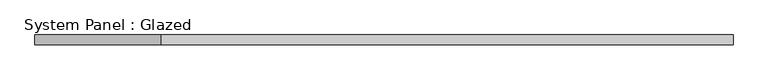
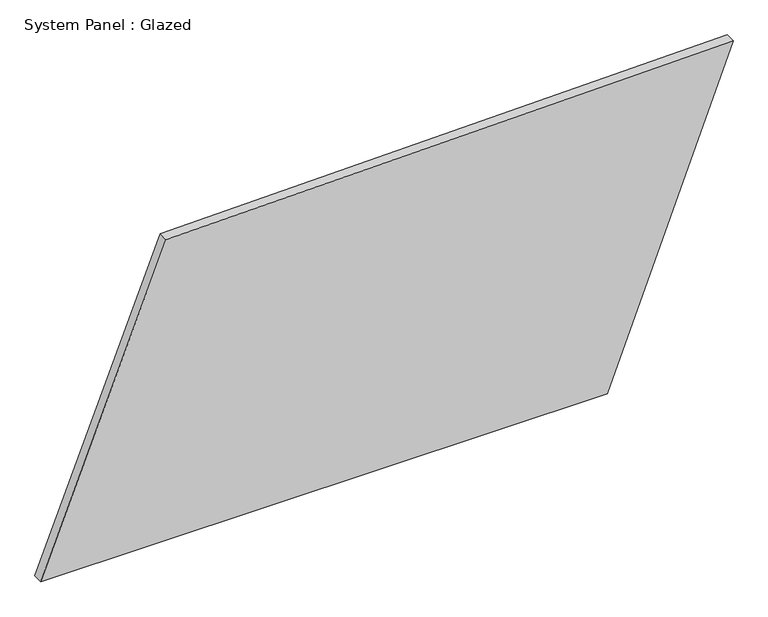
"""IFC4 building model written with IfcOpenShell, lengths in millimetres: plate geometry, System Panel : Glazed."""

from ifc_helpers import new_model, si_unit, frame, origin, place, context, project, spatial, polyline, outline, extrude, source, transform, mapped, element, save


def system_panel_glazed_2d1c907a(model_context):
    return source(origin(), model_context, "Body", "SweptSolid", [
        extrude(outline(polyline([(0.0, -876.8163244), (0.0, 558.2906475), (834.5571951, 876.8163244), (804.5738674, -559.2830266), (0.0, -876.8163244)])), frame((0.0, -49.5, 0.0), z_axis=(0.0, 1.0, 0.0), x_axis=(0.0, 0.0, 1.0)), (0.0, 0.0, 1.0), 25.0),
    ])


if __name__ == "__main__":
    model = new_model("IFC4")
    model_context = context("Model", 3, world=origin())
    ifc_project = project(units=[si_unit("LENGTHUNIT", "METRE", prefix="MILLI")], contexts=[model_context])
    site = spatial("IfcSite", under=ifc_project)
    building = spatial("IfcBuilding", under=site)
    placement = place(None, origin())
    system_panel_glazed_shape = system_panel_glazed_2d1c907a(model_context)
    element("IfcPlate", 1, ObjectType="System Panel : Glazed", at=placement, inside=building, context=model_context, shape_type="MappedRepresentation", body=[
        mapped(system_panel_glazed_shape, transform((0.0, 0.0, 0.0), x_axis=(1.0, 0.0, 0.0), y_axis=(0.0, 1.0, 0.0), z_axis=(0.0, 0.0, 1.0))),
    ])
    save(model, "model.ifc")
